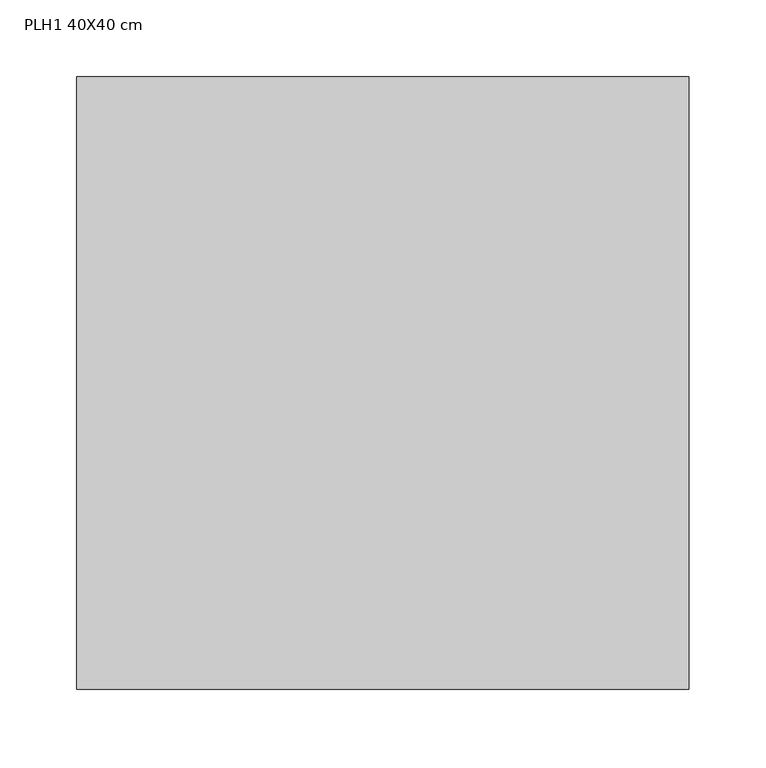
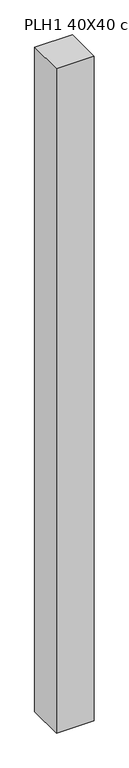
"""IFC4 building model written with IfcOpenShell, lengths in millimetres: column geometry, PLH1 40X40 cm."""

from ifc_helpers import new_model, si_unit, origin, origin_with_axes, place, context, project, spatial, polyline, outline, extrude, source, transform, mapped, element, save


def plh1_40x40_cm_f70b25d2(model_context):
    return source(origin(), model_context, "Body", "SweptSolid", [
        extrude(outline(polyline([(200.0, 200.0), (200.0, -200.0), (-200.0, -200.0), (-200.0, 200.0), (200.0, 200.0)])), origin_with_axes(), (0.0, 0.0, 1.0), 7470.0),
    ])


if __name__ == "__main__":
    model = new_model("IFC4")
    model_context = context("Model", 3, world=origin())
    ifc_project = project(units=[si_unit("LENGTHUNIT", "METRE", prefix="MILLI")], contexts=[model_context])
    site = spatial("IfcSite", under=ifc_project)
    building = spatial("IfcBuilding", under=site)
    placement = place(None, origin())
    plh1_40x40_cm_shape = plh1_40x40_cm_f70b25d2(model_context)
    element("IfcColumn", 1, ObjectType="PLH1 40X40 cm", at=placement, inside=building, context=model_context, shape_type="MappedRepresentation", body=[
        mapped(plh1_40x40_cm_shape, transform((0.0, 0.0, 0.0), x_axis=(1.0, 0.0, 0.0), y_axis=(0.0, 1.0, 0.0), z_axis=(0.0, 0.0, 1.0))),
    ])
    save(model, "model.ifc")
